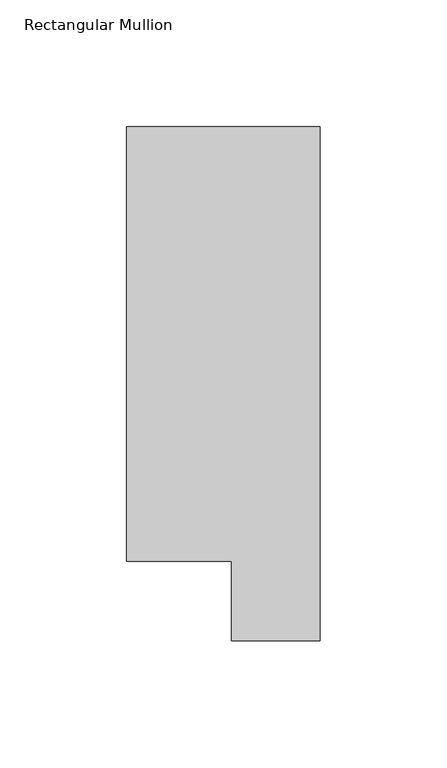
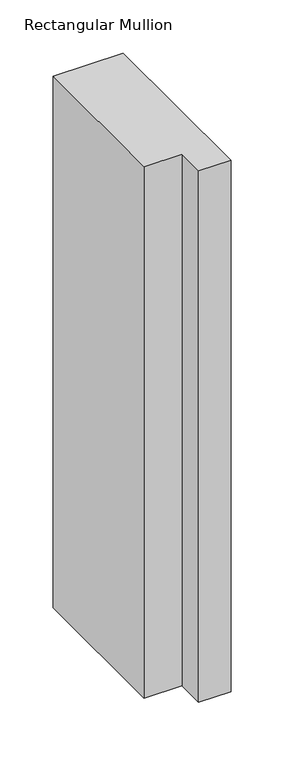
"""IFC4 building model written with IfcOpenShell, lengths in millimetres: member geometry, Rectangular Mullion."""

from ifc_helpers import new_model, si_unit, frame, origin, place, context, project, spatial, polyline, outline, extrude, source, transform, mapped, element, save


def rectangular_mullion_4376f6d5(model_context):
    return source(origin(), model_context, "Body", "SweptSolid", [
        extrude(outline(polyline([(0.0, 222.0301313), (0.0, 19.5667313), (-34.9123, 19.5667312), (-34.9123, 50.820278), (-76.2, 50.820278), (-76.2, 222.0301313), (0.0, 222.0301313)])), frame((0.0, 0.0, -609.56825), z_axis=(0.0, 0.0, 1.0), x_axis=(1.0, 0.0, 0.0)), (0.0, 0.0, 1.0), 609.56825),
    ])


if __name__ == "__main__":
    model = new_model("IFC4")
    model_context = context("Model", 3, world=origin())
    ifc_project = project(units=[si_unit("LENGTHUNIT", "METRE", prefix="MILLI")], contexts=[model_context])
    site = spatial("IfcSite", under=ifc_project)
    building = spatial("IfcBuilding", under=site)
    placement = place(None, origin())
    rectangular_mullion_shape = rectangular_mullion_4376f6d5(model_context)
    element("IfcMember", 1, ObjectType="Rectangular Mullion", at=placement, inside=building, context=model_context, shape_type="MappedRepresentation", body=[
        mapped(rectangular_mullion_shape, transform((0.0, 0.0, 0.0), x_axis=(1.0, 0.0, 0.0), y_axis=(0.0, 1.0, 0.0), z_axis=(0.0, 0.0, 1.0))),
    ])
    save(model, "model.ifc")
